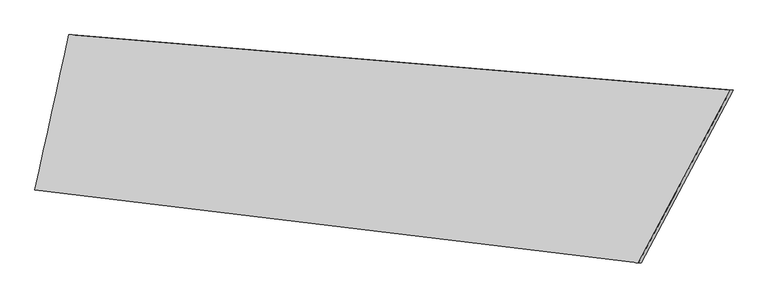
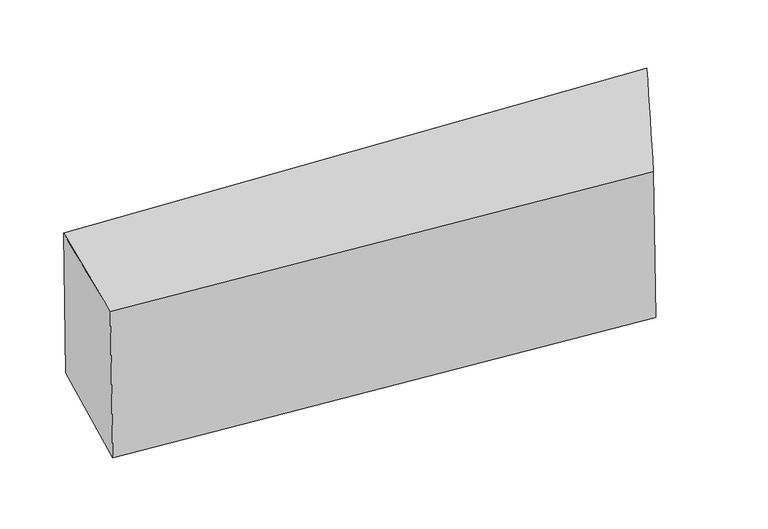
"""IFC4 building model written with IfcOpenShell, lengths in millimetres: proxy geometry."""

from ifc_helpers import new_model, si_unit, frame, origin, place, context, project, spatial, source, transform, mapped, element, save
from ifc_brep_helpers import plane_surface, spline_surface, advanced_brep


def generic_models_dbdc39bd(model_context):
    return source(origin(), model_context, "Body", "AdvancedBrep", [
        advanced_brep(
        [(3801.2864514, 502.7010961, 336.3025943), (3929.6489641, 1090.6800371, 338.2648742), (6432.0514768, 880.4985211, 376.5191431), (6084.212172, 226.1203457, 371.2017178), (3919.4355947, 1090.6800371, 1006.3722995), (6421.8381075, 880.4985211, 1044.6265684), (3790.5867899, 502.7010961, 1036.2208161), (6073.5125105, 226.1203457, 1071.1199396)],
        [
            (0, 1),
            (1, 2),
            (2, 3),
            (3, 0),
            (1, 4),
            (4, 5),
            (5, 2),
            (4, 6),
            (6, 7),
            (7, 5),
            (6, 0),
            (3, 7),
        ],
        [
            plane_surface(frame((3865.4677077, 796.6905666, 337.2837342), z_axis=(0.015285230741162746, 0.0, -0.999883174036442), x_axis=(0.4693545509878728, 0.8829806478057154, 0.007175030841156135))),
            plane_surface(frame((3924.5422794, 1090.6800371, 672.3185868), z_axis=(0.0836776956027119, 0.9964920506211753, 0.0012791823268842662), x_axis=(-0.015285230741164309, 0.0, 0.9998831740364419))),
            spline_surface(1, 1, [[(3919.4355947, 1090.6800371, 1006.3722995), (6421.8381075, 880.4985211, 1044.6265684)], [(3790.5867899, 502.7010961, 1036.2208161), (6073.5125105, 226.1203457, 1071.1199396)]], [2, 2], [2, 2], [0.0, 1.0], [0.0, 1.0]),
            plane_surface(frame((3795.9366206, 502.7010961, 686.2617052), z_axis=(-0.1202445354918421, -0.9927426014722242, -0.0018381802175319042), x_axis=(0.015285230741163228, 0.0, -0.9998831740364419))),
            plane_surface(frame((6252.9035667, 553.3094334, 715.8668422), z_axis=(0.8828774927407324, -0.4694093901921853, 0.013496562941692143), x_axis=(0.015285230741163228, 0.0, -0.9998831740364419))),
            plane_surface(frame((3860.23945, 796.6905666, 679.290146), z_axis=(-0.9768700545447027, 0.2133117184734669, -0.014933428800056525), x_axis=(-0.015285230741162455, 0.0, 0.9998831740364419))),
        ],
        [
            (0, [[1, 2, 3, 4]]),
            (1, [[5, 6, 7, -2]]),
            (2, [[8, 9, 10, -6]]),
            (3, [[11, -4, 12, -9]]),
            (4, [[-12, -3, -7, -10]]),
            (5, [[-11, -8, -5, -1]]),
        ],
    ),
    ])


if __name__ == "__main__":
    model = new_model("IFC4")
    model_context = context("Model", 3, world=origin())
    ifc_project = project(units=[si_unit("LENGTHUNIT", "METRE", prefix="MILLI")], contexts=[model_context])
    site = spatial("IfcSite", under=ifc_project)
    building = spatial("IfcBuilding", under=site)
    placement = place(None, origin())
    generic_models_shape = generic_models_dbdc39bd(model_context)
    element("IfcBuildingElementProxy", 1, Name="Generic Models", at=placement, inside=building, context=model_context, shape_type="MappedRepresentation", body=[
        mapped(generic_models_shape, transform((0.0, 0.0, 0.0), x_axis=(1.0, 0.0, 0.0), y_axis=(0.0, 1.0, 0.0), z_axis=(0.0, 0.0, 1.0))),
    ])
    save(model, "model.ifc")
